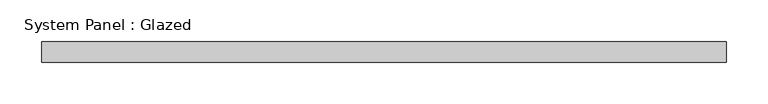
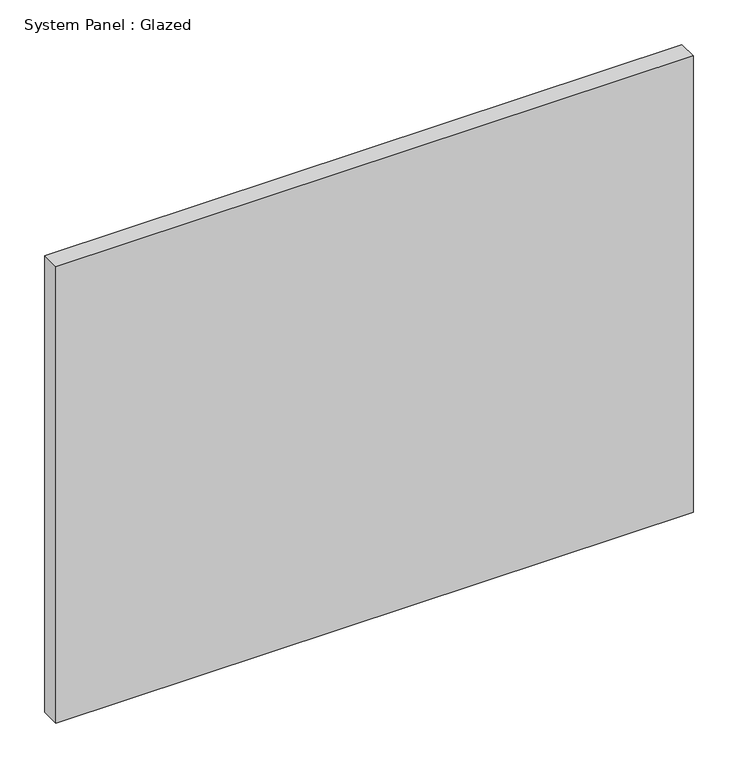
"""IFC4 building model written with IfcOpenShell, lengths in millimetres: plate geometry, System Panel : Glazed."""

from ifc_helpers import new_model, si_unit, origin, origin_with_axes, place, context, project, spatial, polyline, outline, extrude, source, transform, mapped, element, save


def system_panel_glazed_f282963f(model_context):
    return source(origin(), model_context, "Body", "SweptSolid", [
        extrude(outline(polyline([(412.5, -49.5), (-412.5, -49.5), (-412.5, -24.5), (412.5, -24.5), (412.5, -49.5)])), origin_with_axes(), (0.0, 0.0, 1.0), 625.0),
    ])


if __name__ == "__main__":
    model = new_model("IFC4")
    model_context = context("Model", 3, world=origin())
    ifc_project = project(units=[si_unit("LENGTHUNIT", "METRE", prefix="MILLI")], contexts=[model_context])
    site = spatial("IfcSite", under=ifc_project)
    building = spatial("IfcBuilding", under=site)
    placement = place(None, origin())
    system_panel_glazed_shape = system_panel_glazed_f282963f(model_context)
    element("IfcPlate", 1, ObjectType="System Panel : Glazed", at=placement, inside=building, context=model_context, shape_type="MappedRepresentation", body=[
        mapped(system_panel_glazed_shape, transform((0.0, 0.0, 0.0), x_axis=(1.0, 0.0, 0.0), y_axis=(0.0, 1.0, 0.0), z_axis=(0.0, 0.0, 1.0))),
    ])
    save(model, "model.ifc")
